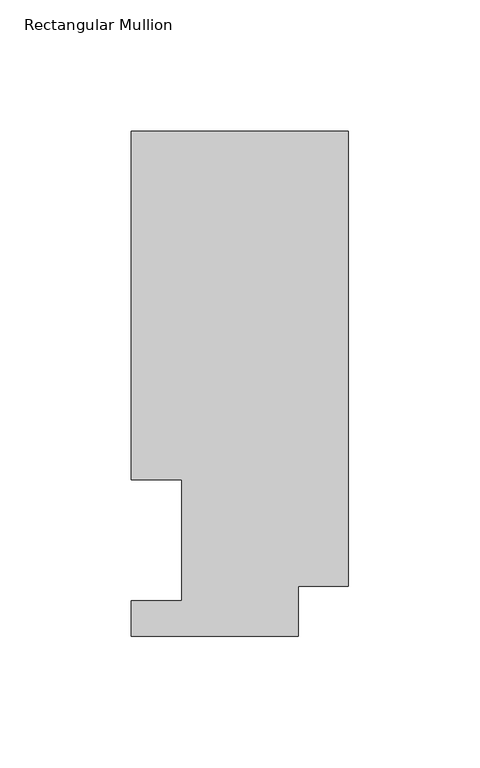
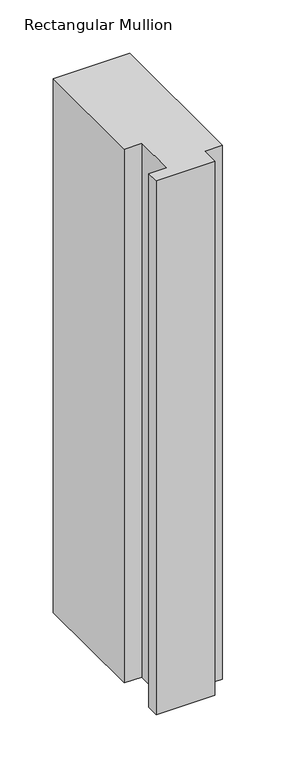
"""IFC4 building model written with IfcOpenShell, lengths in millimetres: member geometry, Rectangular Mullion."""

from ifc_helpers import new_model, si_unit, frame, origin, place, context, project, spatial, polyline, outline, extrude, source, transform, mapped, element, save


def rectangular_mullion_611ba4db(model_context):
    return source(origin(), model_context, "Body", "SweptSolid", [
        extrude(outline(polyline([(-82.55, 192.09385), (0.0, 192.09385), (0.0, 19.06905), (-19.05, 19.06905), (-19.05, 0.04445), (-82.55, 0.04445), (-82.55, 13.50645), (-63.5, 13.50645), (-63.5, 59.53125), (-82.55, 59.53125), (-82.55, 192.09385)])), frame((0.0, 0.0, -609.6), z_axis=(0.0, 0.0, 1.0), x_axis=(1.0, 0.0, 0.0)), (0.0, 0.0, 1.0), 609.6),
    ])


if __name__ == "__main__":
    model = new_model("IFC4")
    model_context = context("Model", 3, world=origin())
    ifc_project = project(units=[si_unit("LENGTHUNIT", "METRE", prefix="MILLI")], contexts=[model_context])
    site = spatial("IfcSite", under=ifc_project)
    building = spatial("IfcBuilding", under=site)
    placement = place(None, origin())
    rectangular_mullion_shape = rectangular_mullion_611ba4db(model_context)
    element("IfcMember", 1, ObjectType="Rectangular Mullion", at=placement, inside=building, context=model_context, shape_type="MappedRepresentation", body=[
        mapped(rectangular_mullion_shape, transform((0.0, 0.0, 0.0), x_axis=(1.0, 0.0, 0.0), y_axis=(0.0, 1.0, 0.0), z_axis=(0.0, 0.0, 1.0))),
    ])
    save(model, "model.ifc")
